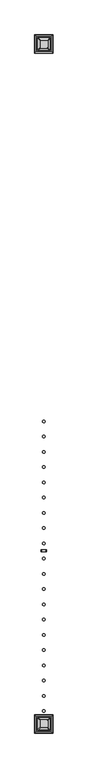
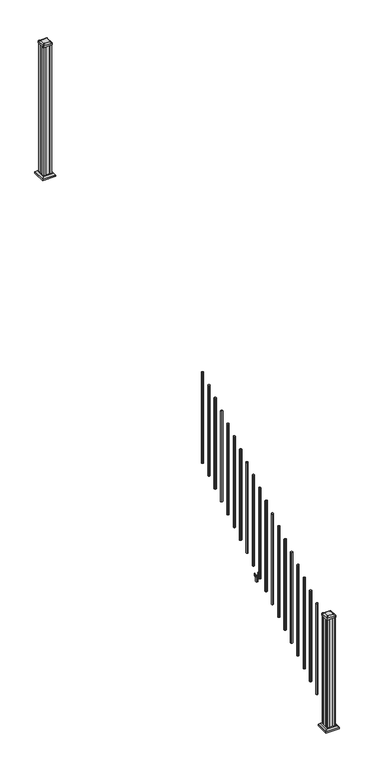
"""IFC4 building model written with IfcOpenShell, lengths in millimetres: railing geometry."""

from ifc_helpers import new_model, si_unit, point, frame, frame_2d, origin, place, context, project, spatial, polyline, circle_curve, trimmed, segment, composite_curve, outline, extrude, faceted_brep, source, transform, mapped, element, save
from ifc_brep_helpers import plane_surface, extruded_surface, advanced_brep


def railing_168bfafb(model_context):
    return source(origin(), model_context, "Body", "SolidModel", [
        extrude(outline(composite_curve([segment(trimmed(circle_curve(frame_2d((10340.7942659, -14647.7074681)), 9.525), [point((10350.3192659, -14647.7074681))], [point((10340.7942659, -14657.2324681))], False, "CARTESIAN"), True, "CONTINUOUS"), segment(trimmed(circle_curve(frame_2d((10340.7942659, -14647.7074681)), 9.525), [point((10340.7942659, -14657.2324681))], [point((10331.2692659, -14647.7074681))], False, "CARTESIAN"), True, "CONTINUOUS"), segment(trimmed(circle_curve(frame_2d((10340.7942659, -14647.7074681)), 9.525), [point((10331.2692659, -14647.7074681))], [point((10340.7942659, -14638.1824681))], False, "CARTESIAN"), True, "CONTINUOUS"), segment(trimmed(circle_curve(frame_2d((10340.7942659, -14647.7074681)), 9.525), [point((10340.7942659, -14638.1824681))], [point((10350.3192659, -14647.7074681))], False, "CARTESIAN"), True, "CONTINUOUS")], self_intersect=False)), frame((0.0, 0.0, 1645.9158781), z_axis=(0.0, 0.0, 1.0), x_axis=(1.0, 0.0, 0.0)), (0.0, 0.0, 1.0), 965.2041219),
        extrude(outline(composite_curve([segment(trimmed(circle_curve(frame_2d((10340.7942659, -14758.9594681)), 9.525), [point((10350.3192659, -14758.9594681))], [point((10340.7942659, -14768.4844681))], False, "CARTESIAN"), True, "CONTINUOUS"), segment(trimmed(circle_curve(frame_2d((10340.7942659, -14758.9594681)), 9.525), [point((10340.7942659, -14768.4844681))], [point((10331.2692659, -14758.9594681))], False, "CARTESIAN"), True, "CONTINUOUS"), segment(trimmed(circle_curve(frame_2d((10340.7942659, -14758.9594681)), 9.525), [point((10331.2692659, -14758.9594681))], [point((10340.7942659, -14749.4344681))], False, "CARTESIAN"), True, "CONTINUOUS"), segment(trimmed(circle_curve(frame_2d((10340.7942659, -14758.9594681)), 9.525), [point((10340.7942659, -14749.4344681))], [point((10350.3192659, -14758.9594681))], False, "CARTESIAN"), True, "CONTINUOUS")], self_intersect=False)), frame((0.0, 0.0, 1576.3833781), z_axis=(0.0, 0.0, 1.0), x_axis=(1.0, 0.0, 0.0)), (0.0, 0.0, 1.0), 965.2041219),
        extrude(outline(composite_curve([segment(trimmed(circle_curve(frame_2d((10340.7942659, -14870.2114681)), 9.525), [point((10350.3192659, -14870.2114681))], [point((10340.7942659, -14879.7364681))], False, "CARTESIAN"), True, "CONTINUOUS"), segment(trimmed(circle_curve(frame_2d((10340.7942659, -14870.2114681)), 9.525), [point((10340.7942659, -14879.7364681))], [point((10331.2692659, -14870.2114681))], False, "CARTESIAN"), True, "CONTINUOUS"), segment(trimmed(circle_curve(frame_2d((10340.7942659, -14870.2114681)), 9.525), [point((10331.2692659, -14870.2114681))], [point((10340.7942659, -14860.6864681))], False, "CARTESIAN"), True, "CONTINUOUS"), segment(trimmed(circle_curve(frame_2d((10340.7942659, -14870.2114681)), 9.525), [point((10340.7942659, -14860.6864681))], [point((10350.3192659, -14870.2114681))], False, "CARTESIAN"), True, "CONTINUOUS")], self_intersect=False)), frame((0.0, 0.0, 1506.8508781), z_axis=(0.0, 0.0, 1.0), x_axis=(1.0, 0.0, 0.0)), (0.0, 0.0, 1.0), 965.2041219),
        extrude(outline(composite_curve([segment(trimmed(circle_curve(frame_2d((10340.7942659, -14981.4634681)), 9.525), [point((10350.3192659, -14981.4634681))], [point((10340.7942659, -14990.9884681))], False, "CARTESIAN"), True, "CONTINUOUS"), segment(trimmed(circle_curve(frame_2d((10340.7942659, -14981.4634681)), 9.525), [point((10340.7942659, -14990.9884681))], [point((10331.2692659, -14981.4634681))], False, "CARTESIAN"), True, "CONTINUOUS"), segment(trimmed(circle_curve(frame_2d((10340.7942659, -14981.4634681)), 9.525), [point((10331.2692659, -14981.4634681))], [point((10340.7942659, -14971.9384681))], False, "CARTESIAN"), True, "CONTINUOUS"), segment(trimmed(circle_curve(frame_2d((10340.7942659, -14981.4634681)), 9.525), [point((10340.7942659, -14971.9384681))], [point((10350.3192659, -14981.4634681))], False, "CARTESIAN"), True, "CONTINUOUS")], self_intersect=False)), frame((0.0, 0.0, 1437.3183781), z_axis=(0.0, 0.0, 1.0), x_axis=(1.0, 0.0, 0.0)), (0.0, 0.0, 1.0), 965.2041219),
        extrude(outline(composite_curve([segment(trimmed(circle_curve(frame_2d((10340.7942659, -15092.7154681)), 9.525), [point((10350.3192659, -15092.7154681))], [point((10340.7942659, -15102.2404681))], False, "CARTESIAN"), True, "CONTINUOUS"), segment(trimmed(circle_curve(frame_2d((10340.7942659, -15092.7154681)), 9.525), [point((10340.7942659, -15102.2404681))], [point((10331.2692659, -15092.7154681))], False, "CARTESIAN"), True, "CONTINUOUS"), segment(trimmed(circle_curve(frame_2d((10340.7942659, -15092.7154681)), 9.525), [point((10331.2692659, -15092.7154681))], [point((10340.7942659, -15083.1904681))], False, "CARTESIAN"), True, "CONTINUOUS"), segment(trimmed(circle_curve(frame_2d((10340.7942659, -15092.7154681)), 9.525), [point((10340.7942659, -15083.1904681))], [point((10350.3192659, -15092.7154681))], False, "CARTESIAN"), True, "CONTINUOUS")], self_intersect=False)), frame((0.0, 0.0, 1367.7858781), z_axis=(0.0, 0.0, 1.0), x_axis=(1.0, 0.0, 0.0)), (0.0, 0.0, 1.0), 965.2041219),
        extrude(outline(composite_curve([segment(trimmed(circle_curve(frame_2d((10340.7942659, -15203.9674681)), 9.525), [point((10350.3192659, -15203.9674681))], [point((10340.7942659, -15213.4924681))], False, "CARTESIAN"), True, "CONTINUOUS"), segment(trimmed(circle_curve(frame_2d((10340.7942659, -15203.9674681)), 9.525), [point((10340.7942659, -15213.4924681))], [point((10331.2692659, -15203.9674681))], False, "CARTESIAN"), True, "CONTINUOUS"), segment(trimmed(circle_curve(frame_2d((10340.7942659, -15203.9674681)), 9.525), [point((10331.2692659, -15203.9674681))], [point((10340.7942659, -15194.4424681))], False, "CARTESIAN"), True, "CONTINUOUS"), segment(trimmed(circle_curve(frame_2d((10340.7942659, -15203.9674681)), 9.525), [point((10340.7942659, -15194.4424681))], [point((10350.3192659, -15203.9674681))], False, "CARTESIAN"), True, "CONTINUOUS")], self_intersect=False)), frame((0.0, 0.0, 1298.2533781), z_axis=(0.0, 0.0, 1.0), x_axis=(1.0, 0.0, 0.0)), (0.0, 0.0, 1.0), 965.2041219),
        extrude(outline(composite_curve([segment(trimmed(circle_curve(frame_2d((10340.7942659, -15315.2194681)), 9.525), [point((10350.3192659, -15315.2194681))], [point((10340.7942659, -15324.7444681))], False, "CARTESIAN"), True, "CONTINUOUS"), segment(trimmed(circle_curve(frame_2d((10340.7942659, -15315.2194681)), 9.525), [point((10340.7942659, -15324.7444681))], [point((10331.2692659, -15315.2194681))], False, "CARTESIAN"), True, "CONTINUOUS"), segment(trimmed(circle_curve(frame_2d((10340.7942659, -15315.2194681)), 9.525), [point((10331.2692659, -15315.2194681))], [point((10340.7942659, -15305.6944681))], False, "CARTESIAN"), True, "CONTINUOUS"), segment(trimmed(circle_curve(frame_2d((10340.7942659, -15315.2194681)), 9.525), [point((10340.7942659, -15305.6944681))], [point((10350.3192659, -15315.2194681))], False, "CARTESIAN"), True, "CONTINUOUS")], self_intersect=False)), frame((0.0, 0.0, 1228.7208781), z_axis=(0.0, 0.0, 1.0), x_axis=(1.0, 0.0, 0.0)), (0.0, 0.0, 1.0), 965.2041219),
        extrude(outline(composite_curve([segment(trimmed(circle_curve(frame_2d((10340.7942659, -15426.4714681)), 9.525), [point((10350.3192659, -15426.4714681))], [point((10340.7942659, -15435.9964681))], False, "CARTESIAN"), True, "CONTINUOUS"), segment(trimmed(circle_curve(frame_2d((10340.7942659, -15426.4714681)), 9.525), [point((10340.7942659, -15435.9964681))], [point((10331.2692659, -15426.4714681))], False, "CARTESIAN"), True, "CONTINUOUS"), segment(trimmed(circle_curve(frame_2d((10340.7942659, -15426.4714681)), 9.525), [point((10331.2692659, -15426.4714681))], [point((10340.7942659, -15416.9464681))], False, "CARTESIAN"), True, "CONTINUOUS"), segment(trimmed(circle_curve(frame_2d((10340.7942659, -15426.4714681)), 9.525), [point((10340.7942659, -15416.9464681))], [point((10350.3192659, -15426.4714681))], False, "CARTESIAN"), True, "CONTINUOUS")], self_intersect=False)), frame((0.0, 0.0, 1159.1883781), z_axis=(0.0, 0.0, 1.0), x_axis=(1.0, 0.0, 0.0)), (0.0, 0.0, 1.0), 965.2041219),
        extrude(outline(composite_curve([segment(trimmed(circle_curve(frame_2d((10340.7942659, -15537.7234681)), 9.525), [point((10350.3192659, -15537.7234681))], [point((10340.7942659, -15547.2484681))], False, "CARTESIAN"), True, "CONTINUOUS"), segment(trimmed(circle_curve(frame_2d((10340.7942659, -15537.7234681)), 9.525), [point((10340.7942659, -15547.2484681))], [point((10331.2692659, -15537.7234681))], False, "CARTESIAN"), True, "CONTINUOUS"), segment(trimmed(circle_curve(frame_2d((10340.7942659, -15537.7234681)), 9.525), [point((10331.2692659, -15537.7234681))], [point((10340.7942659, -15528.1984681))], False, "CARTESIAN"), True, "CONTINUOUS"), segment(trimmed(circle_curve(frame_2d((10340.7942659, -15537.7234681)), 9.525), [point((10340.7942659, -15528.1984681))], [point((10350.3192659, -15537.7234681))], False, "CARTESIAN"), True, "CONTINUOUS")], self_intersect=False)), frame((0.0, 0.0, 1089.6558781), z_axis=(0.0, 0.0, 1.0), x_axis=(1.0, 0.0, 0.0)), (0.0, 0.0, 1.0), 965.2041219),
        extrude(outline(polyline([(1041.2203979, 10322.6332671), (1040.4583969, 10321.871266), (1013.9680023, 10321.871266), (1013.2060013, 10322.6332671), (1013.2060013, 10332.6662661), (1012.4440012, 10333.4282662), (953.2620001, 10333.4282662), (952.5, 10334.1902663), (952.5, 10347.3982655), (953.262001, 10348.1602665), (1012.4440012, 10348.1602665), (1013.2060013, 10348.9222666), (1013.2060013, 10358.9552657), (1013.9680023, 10359.7172667), (1040.4583969, 10359.7172667), (1041.2203979, 10358.9552657), (1041.2203979, 10356.9232661), (1040.2043953, 10355.9072663), (1029.7686081, 10355.9072663), (1028.7526073, 10356.9232661), (1016.762001, 10356.9232661), (1016.0000019, 10356.1612669), (1016.0000019, 10325.4272658), (1016.762001, 10324.6652666), (1028.7526073, 10324.6652666), (1029.7686081, 10325.6812664), (1040.2043953, 10325.6812664), (1041.2203979, 10324.6652666), (1041.2203979, 10322.6332671)]), holes=[polyline([(1013.2060013, 10344.2232663), (1012.4440012, 10344.9852663), (956.4370031, 10344.9852663), (955.6750031, 10344.2232663), (955.6750031, 10337.3652636), (956.4370003, 10336.6032664), (1012.4440012, 10336.6032664), (1013.2060013, 10337.3652665), (1013.2060013, 10344.2232663)])]), frame((0.0, -15600.7154681, 0.0), z_axis=(0.0, 1.0, 0.0), x_axis=(0.0, 0.0, 1.0)), (0.0, 0.0, 1.0), 14.732),
        extrude(outline(composite_curve([segment(trimmed(circle_curve(frame_2d((10340.7942659, -15648.9754681)), 9.525), [point((10350.3192659, -15648.9754681))], [point((10340.7942659, -15658.5004681))], False, "CARTESIAN"), True, "CONTINUOUS"), segment(trimmed(circle_curve(frame_2d((10340.7942659, -15648.9754681)), 9.525), [point((10340.7942659, -15658.5004681))], [point((10331.2692659, -15648.9754681))], False, "CARTESIAN"), True, "CONTINUOUS"), segment(trimmed(circle_curve(frame_2d((10340.7942659, -15648.9754681)), 9.525), [point((10331.2692659, -15648.9754681))], [point((10340.7942659, -15639.4504681))], False, "CARTESIAN"), True, "CONTINUOUS"), segment(trimmed(circle_curve(frame_2d((10340.7942659, -15648.9754681)), 9.525), [point((10340.7942659, -15639.4504681))], [point((10350.3192659, -15648.9754681))], False, "CARTESIAN"), True, "CONTINUOUS")], self_intersect=False)), frame((0.0, 0.0, 1020.1233781), z_axis=(0.0, 0.0, 1.0), x_axis=(1.0, 0.0, 0.0)), (0.0, 0.0, 1.0), 965.2041219),
        extrude(outline(composite_curve([segment(trimmed(circle_curve(frame_2d((10340.7942659, -15760.2274681)), 9.525), [point((10350.3192659, -15760.2274681))], [point((10340.7942659, -15769.7524681))], False, "CARTESIAN"), True, "CONTINUOUS"), segment(trimmed(circle_curve(frame_2d((10340.7942659, -15760.2274681)), 9.525), [point((10340.7942659, -15769.7524681))], [point((10331.2692659, -15760.2274681))], False, "CARTESIAN"), True, "CONTINUOUS"), segment(trimmed(circle_curve(frame_2d((10340.7942659, -15760.2274681)), 9.525), [point((10331.2692659, -15760.2274681))], [point((10340.7942659, -15750.7024681))], False, "CARTESIAN"), True, "CONTINUOUS"), segment(trimmed(circle_curve(frame_2d((10340.7942659, -15760.2274681)), 9.525), [point((10340.7942659, -15750.7024681))], [point((10350.3192659, -15760.2274681))], False, "CARTESIAN"), True, "CONTINUOUS")], self_intersect=False)), frame((0.0, 0.0, 950.5908781), z_axis=(0.0, 0.0, 1.0), x_axis=(1.0, 0.0, 0.0)), (0.0, 0.0, 1.0), 965.2041219),
        extrude(outline(composite_curve([segment(trimmed(circle_curve(frame_2d((10340.7942659, -15871.4794681)), 9.525), [point((10350.3192659, -15871.4794681))], [point((10340.7942659, -15881.0044681))], False, "CARTESIAN"), True, "CONTINUOUS"), segment(trimmed(circle_curve(frame_2d((10340.7942659, -15871.4794681)), 9.525), [point((10340.7942659, -15881.0044681))], [point((10331.2692659, -15871.4794681))], False, "CARTESIAN"), True, "CONTINUOUS"), segment(trimmed(circle_curve(frame_2d((10340.7942659, -15871.4794681)), 9.525), [point((10331.2692659, -15871.4794681))], [point((10340.7942659, -15861.9544681))], False, "CARTESIAN"), True, "CONTINUOUS"), segment(trimmed(circle_curve(frame_2d((10340.7942659, -15871.4794681)), 9.525), [point((10340.7942659, -15861.9544681))], [point((10350.3192659, -15871.4794681))], False, "CARTESIAN"), True, "CONTINUOUS")], self_intersect=False)), frame((0.0, 0.0, 881.0583781), z_axis=(0.0, 0.0, 1.0), x_axis=(1.0, 0.0, 0.0)), (0.0, 0.0, 1.0), 965.2041219),
        extrude(outline(composite_curve([segment(trimmed(circle_curve(frame_2d((10340.7942659, -15982.7314681)), 9.525), [point((10350.3192659, -15982.7314681))], [point((10340.7942659, -15992.2564681))], False, "CARTESIAN"), True, "CONTINUOUS"), segment(trimmed(circle_curve(frame_2d((10340.7942659, -15982.7314681)), 9.525), [point((10340.7942659, -15992.2564681))], [point((10331.2692659, -15982.7314681))], False, "CARTESIAN"), True, "CONTINUOUS"), segment(trimmed(circle_curve(frame_2d((10340.7942659, -15982.7314681)), 9.525), [point((10331.2692659, -15982.7314681))], [point((10340.7942659, -15973.2064681))], False, "CARTESIAN"), True, "CONTINUOUS"), segment(trimmed(circle_curve(frame_2d((10340.7942659, -15982.7314681)), 9.525), [point((10340.7942659, -15973.2064681))], [point((10350.3192659, -15982.7314681))], False, "CARTESIAN"), True, "CONTINUOUS")], self_intersect=False)), frame((0.0, 0.0, 811.5258781), z_axis=(0.0, 0.0, 1.0), x_axis=(1.0, 0.0, 0.0)), (0.0, 0.0, 1.0), 965.2041219),
        extrude(outline(composite_curve([segment(trimmed(circle_curve(frame_2d((10340.7942659, -16093.9834681)), 9.525), [point((10350.3192659, -16093.9834681))], [point((10340.7942659, -16103.5084681))], False, "CARTESIAN"), True, "CONTINUOUS"), segment(trimmed(circle_curve(frame_2d((10340.7942659, -16093.9834681)), 9.525), [point((10340.7942659, -16103.5084681))], [point((10331.2692659, -16093.9834681))], False, "CARTESIAN"), True, "CONTINUOUS"), segment(trimmed(circle_curve(frame_2d((10340.7942659, -16093.9834681)), 9.525), [point((10331.2692659, -16093.9834681))], [point((10340.7942659, -16084.4584681))], False, "CARTESIAN"), True, "CONTINUOUS"), segment(trimmed(circle_curve(frame_2d((10340.7942659, -16093.9834681)), 9.525), [point((10340.7942659, -16084.4584681))], [point((10350.3192659, -16093.9834681))], False, "CARTESIAN"), True, "CONTINUOUS")], self_intersect=False)), frame((0.0, 0.0, 741.9933781), z_axis=(0.0, 0.0, 1.0), x_axis=(1.0, 0.0, 0.0)), (0.0, 0.0, 1.0), 965.2041219),
        extrude(outline(composite_curve([segment(trimmed(circle_curve(frame_2d((10340.7942659, -16205.2354681)), 9.525), [point((10350.3192659, -16205.2354681))], [point((10340.7942659, -16214.7604681))], False, "CARTESIAN"), True, "CONTINUOUS"), segment(trimmed(circle_curve(frame_2d((10340.7942659, -16205.2354681)), 9.525), [point((10340.7942659, -16214.7604681))], [point((10331.2692659, -16205.2354681))], False, "CARTESIAN"), True, "CONTINUOUS"), segment(trimmed(circle_curve(frame_2d((10340.7942659, -16205.2354681)), 9.525), [point((10331.2692659, -16205.2354681))], [point((10340.7942659, -16195.7104681))], False, "CARTESIAN"), True, "CONTINUOUS"), segment(trimmed(circle_curve(frame_2d((10340.7942659, -16205.2354681)), 9.525), [point((10340.7942659, -16195.7104681))], [point((10350.3192659, -16205.2354681))], False, "CARTESIAN"), True, "CONTINUOUS")], self_intersect=False)), frame((0.0, 0.0, 672.4608781), z_axis=(0.0, 0.0, 1.0), x_axis=(1.0, 0.0, 0.0)), (0.0, 0.0, 1.0), 965.2041219),
        extrude(outline(composite_curve([segment(trimmed(circle_curve(frame_2d((10340.7942659, -16316.4874681)), 9.525), [point((10350.3192659, -16316.4874681))], [point((10340.7942659, -16326.0124681))], False, "CARTESIAN"), True, "CONTINUOUS"), segment(trimmed(circle_curve(frame_2d((10340.7942659, -16316.4874681)), 9.525), [point((10340.7942659, -16326.0124681))], [point((10331.2692659, -16316.4874681))], False, "CARTESIAN"), True, "CONTINUOUS"), segment(trimmed(circle_curve(frame_2d((10340.7942659, -16316.4874681)), 9.525), [point((10331.2692659, -16316.4874681))], [point((10340.7942659, -16306.9624681))], False, "CARTESIAN"), True, "CONTINUOUS"), segment(trimmed(circle_curve(frame_2d((10340.7942659, -16316.4874681)), 9.525), [point((10340.7942659, -16306.9624681))], [point((10350.3192659, -16316.4874681))], False, "CARTESIAN"), True, "CONTINUOUS")], self_intersect=False)), frame((0.0, 0.0, 602.9283781), z_axis=(0.0, 0.0, 1.0), x_axis=(1.0, 0.0, 0.0)), (0.0, 0.0, 1.0), 965.2041219),
        extrude(outline(composite_curve([segment(trimmed(circle_curve(frame_2d((10340.7942659, -16427.7394681)), 9.525), [point((10350.3192659, -16427.7394681))], [point((10340.7942659, -16437.2644681))], False, "CARTESIAN"), True, "CONTINUOUS"), segment(trimmed(circle_curve(frame_2d((10340.7942659, -16427.7394681)), 9.525), [point((10340.7942659, -16437.2644681))], [point((10331.2692659, -16427.7394681))], False, "CARTESIAN"), True, "CONTINUOUS"), segment(trimmed(circle_curve(frame_2d((10340.7942659, -16427.7394681)), 9.525), [point((10331.2692659, -16427.7394681))], [point((10340.7942659, -16418.2144681))], False, "CARTESIAN"), True, "CONTINUOUS"), segment(trimmed(circle_curve(frame_2d((10340.7942659, -16427.7394681)), 9.525), [point((10340.7942659, -16418.2144681))], [point((10350.3192659, -16427.7394681))], False, "CARTESIAN"), True, "CONTINUOUS")], self_intersect=False)), frame((0.0, 0.0, 533.3958781), z_axis=(0.0, 0.0, 1.0), x_axis=(1.0, 0.0, 0.0)), (0.0, 0.0, 1.0), 965.2041219),
        extrude(outline(composite_curve([segment(trimmed(circle_curve(frame_2d((10340.7942659, -16538.9914681)), 9.525), [point((10350.3192659, -16538.9914681))], [point((10340.7942659, -16548.5164681))], False, "CARTESIAN"), True, "CONTINUOUS"), segment(trimmed(circle_curve(frame_2d((10340.7942659, -16538.9914681)), 9.525), [point((10340.7942659, -16548.5164681))], [point((10331.2692659, -16538.9914681))], False, "CARTESIAN"), True, "CONTINUOUS"), segment(trimmed(circle_curve(frame_2d((10340.7942659, -16538.9914681)), 9.525), [point((10331.2692659, -16538.9914681))], [point((10340.7942659, -16529.4664681))], False, "CARTESIAN"), True, "CONTINUOUS"), segment(trimmed(circle_curve(frame_2d((10340.7942659, -16538.9914681)), 9.525), [point((10340.7942659, -16529.4664681))], [point((10350.3192659, -16538.9914681))], False, "CARTESIAN"), True, "CONTINUOUS")], self_intersect=False)), frame((0.0, 0.0, 463.8633781), z_axis=(0.0, 0.0, 1.0), x_axis=(1.0, 0.0, 0.0)), (0.0, 0.0, 1.0), 965.2041219),
        extrude(outline(composite_curve([segment(trimmed(circle_curve(frame_2d((10340.7942659, -16650.2434681)), 9.525), [point((10350.3192659, -16650.2434681))], [point((10340.7942659, -16659.7684681))], False, "CARTESIAN"), True, "CONTINUOUS"), segment(trimmed(circle_curve(frame_2d((10340.7942659, -16650.2434681)), 9.525), [point((10340.7942659, -16659.7684681))], [point((10331.2692659, -16650.2434681))], False, "CARTESIAN"), True, "CONTINUOUS"), segment(trimmed(circle_curve(frame_2d((10340.7942659, -16650.2434681)), 9.525), [point((10331.2692659, -16650.2434681))], [point((10340.7942659, -16640.7184681))], False, "CARTESIAN"), True, "CONTINUOUS"), segment(trimmed(circle_curve(frame_2d((10340.7942659, -16650.2434681)), 9.525), [point((10340.7942659, -16640.7184681))], [point((10350.3192659, -16650.2434681))], False, "CARTESIAN"), True, "CONTINUOUS")], self_intersect=False)), frame((0.0, 0.0, 394.3308781), z_axis=(0.0, 0.0, 1.0), x_axis=(1.0, 0.0, 0.0)), (0.0, 0.0, 1.0), 965.2041219),
        extrude(outline(composite_curve([segment(trimmed(circle_curve(frame_2d((10340.7942659, -16761.4954681)), 9.525), [point((10350.3192659, -16761.4954681))], [point((10340.7942659, -16771.0204681))], False, "CARTESIAN"), True, "CONTINUOUS"), segment(trimmed(circle_curve(frame_2d((10340.7942659, -16761.4954681)), 9.525), [point((10340.7942659, -16771.0204681))], [point((10331.2692659, -16761.4954681))], False, "CARTESIAN"), True, "CONTINUOUS"), segment(trimmed(circle_curve(frame_2d((10340.7942659, -16761.4954681)), 9.525), [point((10331.2692659, -16761.4954681))], [point((10340.7942659, -16751.9704681))], False, "CARTESIAN"), True, "CONTINUOUS"), segment(trimmed(circle_curve(frame_2d((10340.7942659, -16761.4954681)), 9.525), [point((10340.7942659, -16751.9704681))], [point((10350.3192659, -16761.4954681))], False, "CARTESIAN"), True, "CONTINUOUS")], self_intersect=False)), frame((0.0, 0.0, 324.7983781), z_axis=(0.0, 0.0, 1.0), x_axis=(1.0, 0.0, 0.0)), (0.0, 0.0, 1.0), 965.2041219),
        extrude(outline(polyline([(10301.1067659, -11936.8924681), (10299.5192659, -11935.3049681), (10299.5192659, -11915.6834681), (10301.1067659, -11914.9214681), (10301.1067659, -11876.3134681), (10299.5192659, -11875.5514681), (10299.5192659, -11855.9299681), (10301.1067659, -11854.3424681), (10320.7282659, -11854.3424681), (10321.4902659, -11855.9299681), (10360.0982659, -11855.9299681), (10360.8602659, -11854.3424681), (10380.4817659, -11854.3424681), (10382.0692659, -11855.9299681), (10382.0692659, -11875.5514681), (10380.4817659, -11876.3134681), (10380.4817659, -11914.9214681), (10382.0692659, -11915.6834681), (10382.0692659, -11935.3049681), (10380.4817659, -11936.8924681), (10360.8602659, -11936.8924681), (10360.0982659, -11935.3049681), (10321.4902659, -11935.3049681), (10320.7282659, -11936.8924681), (10301.1067659, -11936.8924681)])), frame((0.0, 0.0, 3048.0), z_axis=(0.0, 0.0, 1.0), x_axis=(1.0, 0.0, 0.0)), (0.0, 0.0, 1.0), 1400.140513),
        faceted_brep([(10393.3802034, -11948.2034056, 3076.575), (10393.3802034, -11843.0315306, 3076.575), (10288.2083284, -11843.0315306, 3076.575), (10288.2083284, -11948.2034056, 3076.575), (10407.4196565, -11962.2428587, 3063.24), (10274.1688753, -11962.2428587, 3063.24), (10274.1688753, -11828.9920775, 3063.24), (10407.4196565, -11828.9920775, 3063.24)], [[[0, 1, 2, 3]], [[4, 5, 6, 7]], [[4, 0, 3, 5]], [[5, 3, 2, 6]], [[6, 2, 1, 7]], [[7, 1, 0, 4]]]),
        extrude(outline(polyline([(10407.4196565, -11962.2428587), (10274.1688753, -11962.2428587), (10274.1688753, -11828.9920775), (10407.4196565, -11828.9920775), (10407.4196565, -11962.2428587)])), frame((0.0, 0.0, 3048.0), z_axis=(0.0, 0.0, 1.0), x_axis=(1.0, 0.0, 0.0)), (0.0, 0.0, 1.0), 15.24),
        advanced_brep(
        [(10314.9973909, -11924.5893431, 4476.715513), (10366.5911409, -11924.5893431, 4476.715513), (10369.7661409, -11921.4143431, 4476.715513), (10369.7661409, -11869.8205931, 4476.715513), (10366.5911409, -11866.6455931, 4476.715513), (10314.9973909, -11866.6455931, 4476.715513), (10311.8223909, -11869.8205931, 4476.715513), (10311.8223909, -11921.4143431, 4476.715513), (10298.7255159, -11940.8612181, 4465.412513), (10295.5505159, -11937.6862181, 4465.412513), (10295.5505159, -11853.5487181, 4465.412513), (10298.7255159, -11850.3737181, 4465.412513), (10382.8630159, -11850.3737181, 4465.412513), (10386.0380159, -11853.5487181, 4465.412513), (10386.0380159, -11937.6862181, 4465.412513), (10382.8630159, -11940.8612181, 4465.412513)],
        [
            (0, 1),
            (1, 2, circle_curve(frame((10366.5911409, -11921.4143431, 4476.715513), z_axis=(0.0, 0.0, 1.0), x_axis=(0.0, 1.0, 0.0)), 3.175)),
            (2, 3),
            (3, 4, circle_curve(frame((10366.5911409, -11869.8205931, 4476.715513), z_axis=(0.0, 0.0, 1.0), x_axis=(0.0, 1.0, 0.0)), 3.175)),
            (4, 5),
            (5, 6, circle_curve(frame((10314.9973909, -11869.8205931, 4476.715513), z_axis=(0.0, 0.0, 1.0), x_axis=(0.0, 1.0, 0.0)), 3.175)),
            (6, 7),
            (7, 0, circle_curve(frame((10314.9973909, -11921.4143431, 4476.715513), z_axis=(0.0, 0.0, 1.0), x_axis=(0.0, 1.0, 0.0)), 3.175)),
            (8, 9, circle_curve(frame((10298.7255159, -11937.6862181, 4465.412513), z_axis=(0.0, 0.0, -1.0), x_axis=(0.0, 1.0, 0.0)), 3.175)),
            (9, 10),
            (10, 11, circle_curve(frame((10298.7255159, -11853.5487181, 4465.412513), z_axis=(0.0, 0.0, -1.0), x_axis=(0.0, 1.0, 0.0)), 3.175)),
            (11, 12),
            (12, 13, circle_curve(frame((10382.8630159, -11853.5487181, 4465.412513), z_axis=(0.0, 0.0, -1.0), x_axis=(0.0, 1.0, 0.0)), 3.175)),
            (13, 14),
            (14, 15, circle_curve(frame((10382.8630159, -11937.6862181, 4465.412513), z_axis=(0.0, 0.0, -1.0), x_axis=(0.0, 1.0, 0.0)), 3.175)),
            (15, 8),
            (8, 0),
            (7, 9),
            (6, 10),
            (5, 11),
            (4, 12),
            (3, 13),
            (2, 14),
            (1, 15),
        ],
        [
            plane_surface(frame((10340.7942659, -11895.6174681, 4476.715513), z_axis=(0.0, 0.0, 1.0), x_axis=(-1.0, 0.0, 0.0))),
            plane_surface(frame((10340.7942659, -11895.6174681, 4465.412513), z_axis=(0.0, 0.0, -1.0), x_axis=(-1.0, 0.0, 0.0))),
            extruded_surface(trimmed(circle_curve(frame((10314.9973909, -11921.4143431, 4476.715513), z_axis=(0.0, 0.0, -1.0), x_axis=(0.0, 1.0, 0.0)), 3.175), [point((10314.9973909, -11924.5893431, 4476.715513))], [point((10311.8223909, -11921.4143431, 4476.715513))], True, "CARTESIAN"), (-16.271875000000364, -16.271875000000364, -11.302999999999884), 25.63797263886657),
            plane_surface(frame((10295.5505159, -11895.6174681, 4465.412513), z_axis=(-0.5705009161540685, 0.0, 0.8212969649690474), x_axis=(0.0, 1.0, 0.0))),
            extruded_surface(trimmed(circle_curve(frame((10314.9973909, -11869.8205931, 4476.715513), z_axis=(0.0, 0.0, -1.0), x_axis=(0.0, 1.0, 0.0)), 3.175), [point((10311.8223909, -11869.8205931, 4476.715513))], [point((10314.9973909, -11866.6455931, 4476.715513))], True, "CARTESIAN"), (-16.271875000000364, 16.271874999998545, -11.302999999999884), 25.63797263886542),
            plane_surface(frame((10340.7942659, -11850.3737181, 4465.412513), z_axis=(0.0, 0.5705009161540291, 0.8212969649690747), x_axis=(1.0, 0.0, 0.0))),
            extruded_surface(trimmed(circle_curve(frame((10366.5911409, -11869.8205931, 4476.715513), z_axis=(0.0, 0.0, -1.0), x_axis=(0.0, 1.0, 0.0)), 3.175), [point((10366.5911409, -11866.6455931, 4476.715513))], [point((10369.7661409, -11869.8205931, 4476.715513))], True, "CARTESIAN"), (16.271875000000364, 16.271874999998545, -11.302999999999884), 25.63797263886542),
            plane_surface(frame((10386.0380159, -11895.6174681, 4465.412513), z_axis=(0.5705009161540235, 0.0, 0.8212969649690786), x_axis=(0.0, -1.0, 0.0))),
            extruded_surface(trimmed(circle_curve(frame((10366.5911409, -11921.4143431, 4476.715513), z_axis=(0.0, 0.0, -1.0), x_axis=(0.0, 1.0, 0.0)), 3.175), [point((10369.7661409, -11921.4143431, 4476.715513))], [point((10366.5911409, -11924.5893431, 4476.715513))], True, "CARTESIAN"), (16.271875000000364, -16.271875000000364, -11.302999999999884), 25.63797263886657),
            plane_surface(frame((10340.7942659, -11940.8612181, 4465.412513), z_axis=(0.0, -0.570500916154034, 0.8212969649690713), x_axis=(-1.0, 0.0, 0.0))),
        ],
        [
            (0, [[1, 2, 3, 4, 5, 6, 7, 8]]),
            (1, [[9, 10, 11, 12, 13, 14, 15, 16]]),
            (2, [[17, -8, 18, -9]]),
            (3, [[-18, -7, 19, -10]]),
            (4, [[-19, -6, 20, -11]]),
            (5, [[-20, -5, 21, -12]]),
            (6, [[-21, -4, 22, -13]]),
            (7, [[-22, -3, 23, -14]]),
            (8, [[-23, -2, 24, -15]]),
            (9, [[-24, -1, -17, -16]]),
        ],
    ),
        extrude(outline(composite_curve([segment(trimmed(circle_curve(frame_2d((10298.7255159, -11937.6862181)), 3.175), [point((10298.7255159, -11940.8612181))], [point((10295.5505159, -11937.6862181))], False, "CARTESIAN"), True, "CONTINUOUS"), segment(polyline([(10295.5505159, -11937.6862181), (10295.5505159, -11853.5487181)]), True, "CONTINUOUS"), segment(trimmed(circle_curve(frame_2d((10298.7255159, -11853.5487181)), 3.175), [point((10295.5505159, -11853.5487181))], [point((10298.7255159, -11850.3737181))], False, "CARTESIAN"), True, "CONTINUOUS"), segment(polyline([(10298.7255159, -11850.3737181), (10382.8630159, -11850.3737181)]), True, "CONTINUOUS"), segment(trimmed(circle_curve(frame_2d((10382.8630159, -11853.5487181)), 3.175), [point((10382.8630159, -11850.3737181))], [point((10386.0380159, -11853.5487181))], False, "CARTESIAN"), True, "CONTINUOUS"), segment(polyline([(10386.0380159, -11853.5487181), (10386.0380159, -11937.6862181)]), True, "CONTINUOUS"), segment(trimmed(circle_curve(frame_2d((10382.8630159, -11937.6862181)), 3.175), [point((10386.0380159, -11937.6862181))], [point((10382.8630159, -11940.8612181))], False, "CARTESIAN"), True, "CONTINUOUS"), segment(polyline([(10382.8630159, -11940.8612181), (10298.7255159, -11940.8612181)]), True, "CONTINUOUS")], self_intersect=False)), frame((0.0, 0.0, 4448.140513), z_axis=(0.0, 0.0, 1.0), x_axis=(1.0, 0.0, 0.0)), (0.0, 0.0, 1.0), 17.272),
        faceted_brep([(10393.3802034, -16907.8074056, 193.19875), (10393.3802034, -16802.6355306, 193.19875), (10288.2083284, -16802.6355306, 193.19875), (10288.2083284, -16907.8074056, 193.19875), (10407.4196565, -16921.8468587, 179.86375), (10274.1688753, -16921.8468587, 179.86375), (10274.1688753, -16788.5960775, 179.86375), (10407.4196565, -16788.5960775, 179.86375)], [[[0, 1, 2, 3]], [[4, 5, 6, 7]], [[4, 0, 3, 5]], [[5, 3, 2, 6]], [[6, 2, 1, 7]], [[7, 1, 0, 4]]]),
        extrude(outline(polyline([(10407.4196565, -16921.8468587), (10274.1688753, -16921.8468587), (10274.1688753, -16788.5960775), (10407.4196565, -16788.5960775), (10407.4196565, -16921.8468587)])), frame((0.0, 0.0, 164.62375), z_axis=(0.0, 0.0, 1.0), x_axis=(1.0, 0.0, 0.0)), (0.0, 0.0, 1.0), 15.24),
        advanced_brep(
        [(10314.9973909, -16884.1933431, 1376.963013), (10366.5911409, -16884.1933431, 1376.963013), (10369.7661409, -16881.0183431, 1376.963013), (10369.7661409, -16829.4245931, 1376.963013), (10366.5911409, -16826.2495931, 1376.963013), (10314.9973909, -16826.2495931, 1376.963013), (10311.8223909, -16829.4245931, 1376.963013), (10311.8223909, -16881.0183431, 1376.963013), (10298.7255159, -16900.4652181, 1365.660013), (10295.5505159, -16897.2902181, 1365.660013), (10295.5505159, -16813.1527181, 1365.660013), (10298.7255159, -16809.9777181, 1365.660013), (10382.8630159, -16809.9777181, 1365.660013), (10386.0380159, -16813.1527181, 1365.660013), (10386.0380159, -16897.2902181, 1365.660013), (10382.8630159, -16900.4652181, 1365.660013)],
        [
            (0, 1),
            (1, 2, circle_curve(frame((10366.5911409, -16881.0183431, 1376.963013), z_axis=(0.0, 0.0, 1.0), x_axis=(0.0, 1.0, 0.0)), 3.175)),
            (2, 3),
            (3, 4, circle_curve(frame((10366.5911409, -16829.4245931, 1376.963013), z_axis=(0.0, 0.0, 1.0), x_axis=(0.0, 1.0, 0.0)), 3.175)),
            (4, 5),
            (5, 6, circle_curve(frame((10314.9973909, -16829.4245931, 1376.963013), z_axis=(0.0, 0.0, 1.0), x_axis=(0.0, 1.0, 0.0)), 3.175)),
            (6, 7),
            (7, 0, circle_curve(frame((10314.9973909, -16881.0183431, 1376.963013), z_axis=(0.0, 0.0, 1.0), x_axis=(0.0, 1.0, 0.0)), 3.175)),
            (8, 9, circle_curve(frame((10298.7255159, -16897.2902181, 1365.660013), z_axis=(0.0, 0.0, -1.0), x_axis=(0.0, 1.0, 0.0)), 3.175)),
            (9, 10),
            (10, 11, circle_curve(frame((10298.7255159, -16813.1527181, 1365.660013), z_axis=(0.0, 0.0, -1.0), x_axis=(0.0, 1.0, 0.0)), 3.175)),
            (11, 12),
            (12, 13, circle_curve(frame((10382.8630159, -16813.1527181, 1365.660013), z_axis=(0.0, 0.0, -1.0), x_axis=(0.0, 1.0, 0.0)), 3.175)),
            (13, 14),
            (14, 15, circle_curve(frame((10382.8630159, -16897.2902181, 1365.660013), z_axis=(0.0, 0.0, -1.0), x_axis=(0.0, 1.0, 0.0)), 3.175)),
            (15, 8),
            (8, 0),
            (7, 9),
            (6, 10),
            (5, 11),
            (4, 12),
            (3, 13),
            (2, 14),
            (1, 15),
        ],
        [
            plane_surface(frame((10340.7942659, -16855.2214681, 1376.963013), z_axis=(0.0, 0.0, 1.0), x_axis=(-1.0, 0.0, 0.0))),
            plane_surface(frame((10340.7942659, -16855.2214681, 1365.660013), z_axis=(0.0, 0.0, -1.0), x_axis=(-1.0, 0.0, 0.0))),
            extruded_surface(trimmed(circle_curve(frame((10314.9973909, -16881.0183431, 1376.963013), z_axis=(0.0, 0.0, -1.0), x_axis=(0.0, 1.0, 0.0)), 3.175), [point((10314.9973909, -16884.1933431, 1376.963013))], [point((10311.8223909, -16881.0183431, 1376.963013))], True, "CARTESIAN"), (-16.271875000000364, -16.271874999998545, -11.303000000000111), 25.63797263886552),
            plane_surface(frame((10295.5505159, -16855.2214681, 1365.660013), z_axis=(-0.5705009161540778, 0.0, 0.8212969649690408), x_axis=(0.0, 1.0, 0.0))),
            extruded_surface(trimmed(circle_curve(frame((10314.9973909, -16829.4245931, 1376.963013), z_axis=(0.0, 0.0, -1.0), x_axis=(0.0, 1.0, 0.0)), 3.175), [point((10311.8223909, -16829.4245931, 1376.963013))], [point((10314.9973909, -16826.2495931, 1376.963013))], True, "CARTESIAN"), (-16.271875000000364, 16.271875000002183, -11.303000000000111), 25.63797263886783),
            plane_surface(frame((10340.7942659, -16809.9777181, 1365.660013), z_axis=(0.0, 0.5705009161540291, 0.8212969649690747), x_axis=(1.0, 0.0, 0.0))),
            extruded_surface(trimmed(circle_curve(frame((10366.5911409, -16829.4245931, 1376.963013), z_axis=(0.0, 0.0, -1.0), x_axis=(0.0, 1.0, 0.0)), 3.175), [point((10366.5911409, -16826.2495931, 1376.963013))], [point((10369.7661409, -16829.4245931, 1376.963013))], True, "CARTESIAN"), (16.271875000000364, 16.271875000002183, -11.303000000000111), 25.63797263886783),
            plane_surface(frame((10386.0380159, -16855.2214681, 1365.660013), z_axis=(0.5705009161540142, 0.0, 0.8212969649690851), x_axis=(0.0, -1.0, 0.0))),
            extruded_surface(trimmed(circle_curve(frame((10366.5911409, -16881.0183431, 1376.963013), z_axis=(0.0, 0.0, -1.0), x_axis=(0.0, 1.0, 0.0)), 3.175), [point((10369.7661409, -16881.0183431, 1376.963013))], [point((10366.5911409, -16884.1933431, 1376.963013))], True, "CARTESIAN"), (16.271875000000364, -16.271874999998545, -11.303000000000111), 25.63797263886552),
            plane_surface(frame((10340.7942659, -16900.4652181, 1365.660013), z_axis=(0.0, -0.570500916154034, 0.8212969649690713), x_axis=(-1.0, 0.0, 0.0))),
        ],
        [
            (0, [[1, 2, 3, 4, 5, 6, 7, 8]]),
            (1, [[9, 10, 11, 12, 13, 14, 15, 16]]),
            (2, [[17, -8, 18, -9]]),
            (3, [[-18, -7, 19, -10]]),
            (4, [[-19, -6, 20, -11]]),
            (5, [[-20, -5, 21, -12]]),
            (6, [[-21, -4, 22, -13]]),
            (7, [[-22, -3, 23, -14]]),
            (8, [[-23, -2, 24, -15]]),
            (9, [[-24, -1, -17, -16]]),
        ],
    ),
        extrude(outline(composite_curve([segment(trimmed(circle_curve(frame_2d((10298.7255159, -16897.2902181)), 3.175), [point((10298.7255159, -16900.4652181))], [point((10295.5505159, -16897.2902181))], False, "CARTESIAN"), True, "CONTINUOUS"), segment(polyline([(10295.5505159, -16897.2902181), (10295.5505159, -16813.1527181)]), True, "CONTINUOUS"), segment(trimmed(circle_curve(frame_2d((10298.7255159, -16813.1527181)), 3.175), [point((10295.5505159, -16813.1527181))], [point((10298.7255159, -16809.9777181))], False, "CARTESIAN"), True, "CONTINUOUS"), segment(polyline([(10298.7255159, -16809.9777181), (10382.8630159, -16809.9777181)]), True, "CONTINUOUS"), segment(trimmed(circle_curve(frame_2d((10382.8630159, -16813.1527181)), 3.175), [point((10382.8630159, -16809.9777181))], [point((10386.0380159, -16813.1527181))], False, "CARTESIAN"), True, "CONTINUOUS"), segment(polyline([(10386.0380159, -16813.1527181), (10386.0380159, -16897.2902181)]), True, "CONTINUOUS"), segment(trimmed(circle_curve(frame_2d((10382.8630159, -16897.2902181)), 3.175), [point((10386.0380159, -16897.2902181))], [point((10382.8630159, -16900.4652181))], False, "CARTESIAN"), True, "CONTINUOUS"), segment(polyline([(10382.8630159, -16900.4652181), (10298.7255159, -16900.4652181)]), True, "CONTINUOUS")], self_intersect=False)), frame((0.0, 0.0, 1348.388013), z_axis=(0.0, 0.0, 1.0), x_axis=(1.0, 0.0, 0.0)), (0.0, 0.0, 1.0), 17.272),
        extrude(outline(polyline([(10301.1067659, -16896.4964681), (10299.5192659, -16894.9089681), (10299.5192659, -16875.2874681), (10301.1067659, -16874.5254681), (10301.1067659, -16835.9174681), (10299.5192659, -16835.1554681), (10299.5192659, -16815.5339681), (10301.1067659, -16813.9464681), (10320.7282659, -16813.9464681), (10321.4902659, -16815.5339681), (10360.0982659, -16815.5339681), (10360.8602659, -16813.9464681), (10380.4817659, -16813.9464681), (10382.0692659, -16815.5339681), (10382.0692659, -16835.1554681), (10380.4817659, -16835.9174681), (10380.4817659, -16874.5254681), (10382.0692659, -16875.2874681), (10382.0692659, -16894.9089681), (10380.4817659, -16896.4964681), (10360.8602659, -16896.4964681), (10360.0982659, -16894.9089681), (10321.4902659, -16894.9089681), (10320.7282659, -16896.4964681), (10301.1067659, -16896.4964681)])), frame((0.0, 0.0, 164.62375), z_axis=(0.0, 0.0, 1.0), x_axis=(1.0, 0.0, 0.0)), (0.0, 0.0, 1.0), 1183.764263),
    ])


if __name__ == "__main__":
    model = new_model("IFC4")
    model_context = context("Model", 3, world=origin())
    ifc_project = project(units=[si_unit("LENGTHUNIT", "METRE", prefix="MILLI")], contexts=[model_context])
    site = spatial("IfcSite", under=ifc_project)
    building = spatial("IfcBuilding", under=site)
    placement = place(None, origin())
    railing_shape = railing_168bfafb(model_context)
    element("IfcRailing", 1, at=placement, inside=building, context=model_context, shape_type="MappedRepresentation", body=[
        mapped(railing_shape, transform((0.0, 0.0, 0.0), x_axis=(1.0, 0.0, 0.0), y_axis=(0.0, 1.0, 0.0), z_axis=(0.0, 0.0, 1.0))),
    ])
    save(model, "model.ifc")
